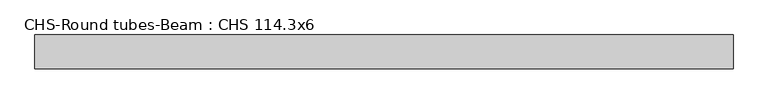
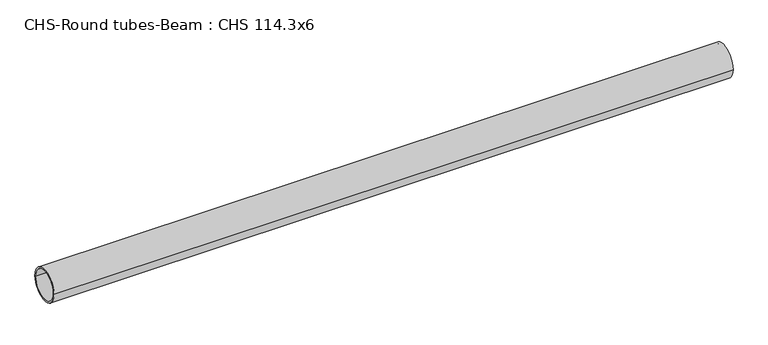
"""IFC4 building model written with IfcOpenShell, lengths in millimetres: beam geometry, CHS-Round tubes-Beam : CHS 114.3x6."""

from ifc_helpers import new_model, si_unit, point, frame, origin, origin_2d, place, context, project, spatial, circle_curve, trimmed, segment, composite_curve, outline, extrude, source, transform, mapped, element, save


def chs_round_tubes_beam_chs_114_3x6_15c8cb67(model_context):
    return source(origin(), model_context, "Body", "SweptSolid", [
        extrude(outline(composite_curve([segment(trimmed(circle_curve(origin_2d(), 57.15), [point((57.15, 0.0))], [point((-57.15, 0.0))], False, "CARTESIAN"), True, "CONTINUOUS"), segment(trimmed(circle_curve(origin_2d(), 57.15), [point((-57.15, 0.0))], [point((57.15, 0.0))], False, "CARTESIAN"), True, "CONTINUOUS")], self_intersect=False), holes=[composite_curve([segment(trimmed(circle_curve(origin_2d(), 51.15), [point((51.15, 0.0))], [point((-51.15, 0.0))], True, "CARTESIAN"), True, "CONTINUOUS"), segment(trimmed(circle_curve(origin_2d(), 51.15), [point((-51.15, 0.0))], [point((51.15, 0.0))], True, "CARTESIAN"), True, "CONTINUOUS")], self_intersect=False)]), frame((-1148.2532795, 0.0, 0.0), z_axis=(1.0, 0.0, 0.0), x_axis=(0.0, 1.0, 0.0)), (0.0, 0.0, 1.0), 2348.2502486),
    ])


if __name__ == "__main__":
    model = new_model("IFC4")
    model_context = context("Model", 3, world=origin())
    ifc_project = project(units=[si_unit("LENGTHUNIT", "METRE", prefix="MILLI")], contexts=[model_context])
    site = spatial("IfcSite", under=ifc_project)
    building = spatial("IfcBuilding", under=site)
    placement = place(None, origin())
    chs_round_tubes_beam_chs_114_3x6_shape = chs_round_tubes_beam_chs_114_3x6_15c8cb67(model_context)
    element("IfcBeam", 1, ObjectType="CHS-Round tubes-Beam : CHS 114.3x6", at=placement, inside=building, context=model_context, shape_type="MappedRepresentation", body=[
        mapped(chs_round_tubes_beam_chs_114_3x6_shape, transform((0.0, 0.0, 0.0), x_axis=(1.0, 0.0, 0.0), y_axis=(0.0, 1.0, 0.0), z_axis=(0.0, 0.0, 1.0))),
    ])
    save(model, "model.ifc")
